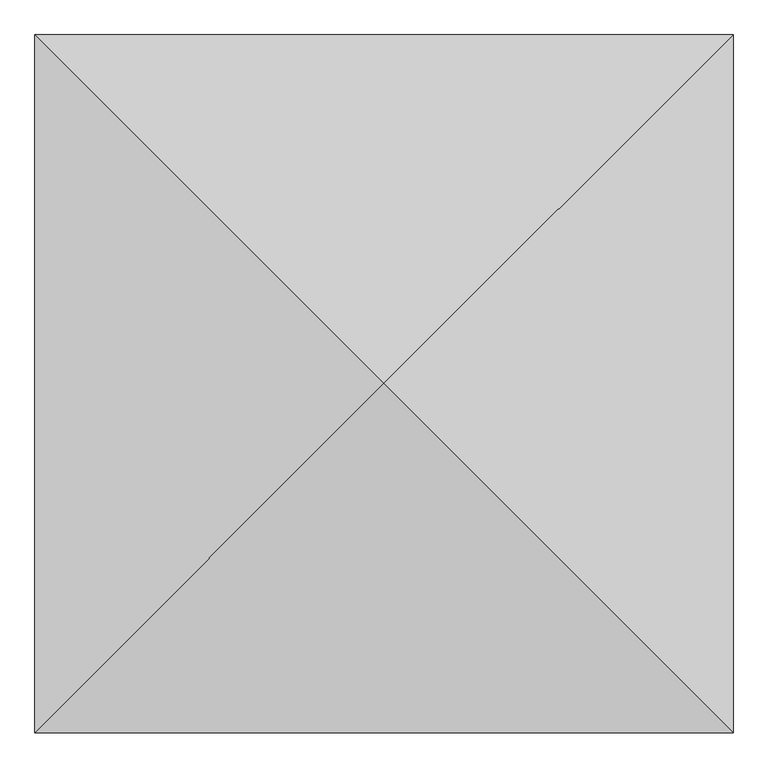
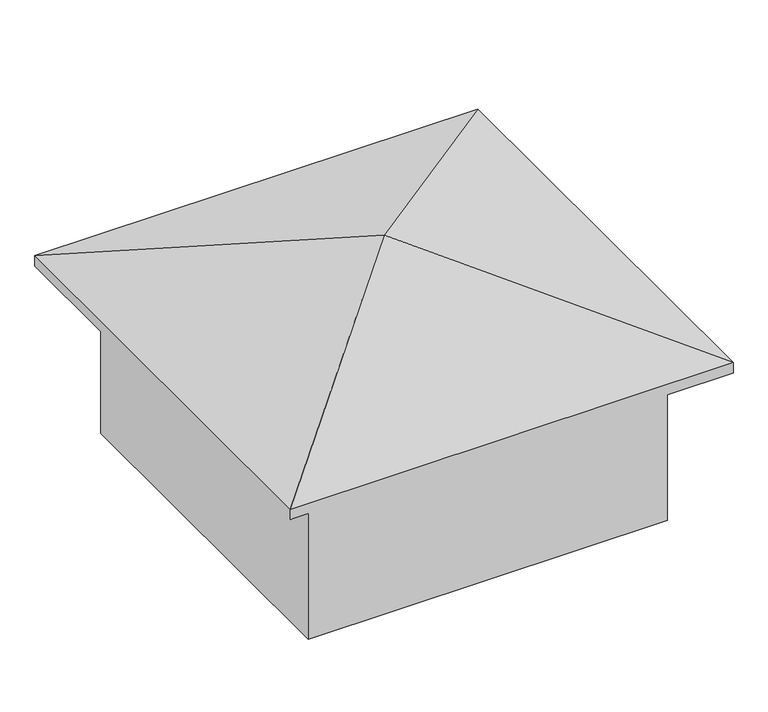
"""IFC4 building model written with IfcOpenShell, lengths in millimetres: geographic element geometry."""

from ifc_helpers import new_model, si_unit, origin, place, context, project, spatial, triangles, source, transform, mapped, element, save


def geographic_element_bab7af4e(model_context):
    return source(origin(), model_context, "Body", "Tessellation", [
        triangles([(4147.8200775, 4147.8200775, 4797.1984634), (0.0, 8295.640155, 3327.6114212), (0.0, 0.0, 3327.6114212), (8295.640155, 8295.640155, 3327.6114212), (8295.640155, 0.0, 3327.6114212), (8295.640155, 8295.640155, 3120.4449966), (0.0, 0.0, 3120.4449966), (0.0, 8295.640155, 3120.4449966), (8295.640155, 0.0, 3120.4449966), (7515.3517365, 7515.3517365, 0.0), (780.2879826, 780.2879826, 0.0), (780.2879826, 7515.3517365, 0.0), (7515.3517365, 780.2879826, 0.0), (7515.3517365, 780.2879826, 3327.6114212), (780.2879826, 780.2879826, 3327.6114212), (7515.3517365, 7515.3517365, 3327.6114212), (780.2879826, 7515.3517365, 3327.6114212)], [[1, 2, 3], [4, 2, 1], [5, 1, 3], [4, 1, 5], [6, 7, 8], [7, 6, 9], [2, 7, 3], [7, 2, 8], [2, 6, 8], [6, 2, 4], [6, 5, 9], [5, 6, 4], [5, 7, 9], [7, 5, 3], [10, 11, 12], [11, 10, 13], [14, 11, 13], [11, 14, 15], [10, 14, 13], [14, 10, 16], [17, 10, 12], [10, 17, 16], [17, 11, 15], [11, 17, 12], [14, 17, 15], [17, 14, 16]]),
    ])


if __name__ == "__main__":
    model = new_model("IFC4")
    model_context = context("Model", 3, world=origin())
    ifc_project = project(units=[si_unit("LENGTHUNIT", "METRE", prefix="MILLI")], contexts=[model_context])
    site = spatial("IfcSite", under=ifc_project)
    building = spatial("IfcBuilding", under=site)
    placement = place(None, origin())
    geographic_element_shape = geographic_element_bab7af4e(model_context)
    element("IfcGeographicElement", 1, at=placement, inside=building, context=model_context, shape_type="MappedRepresentation", body=[
        mapped(geographic_element_shape, transform((0.0, 0.0, 0.0), x_axis=(1.0, 0.0, 0.0), y_axis=(0.0, 1.0, 0.0), z_axis=(0.0, 0.0, 1.0))),
    ])
    save(model, "model.ifc")
